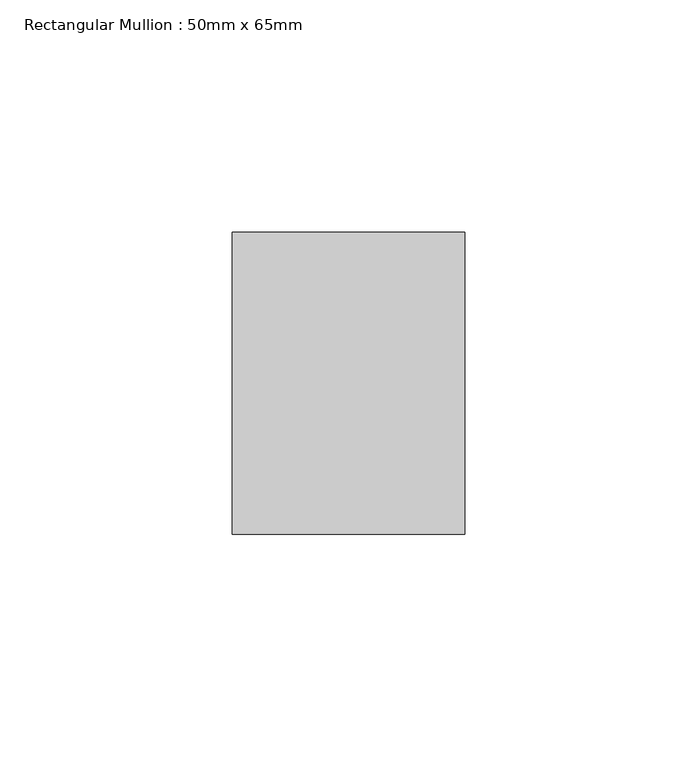
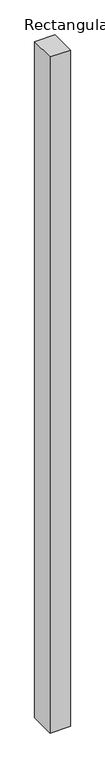
"""IFC4 building model written with IfcOpenShell, lengths in millimetres: member geometry, Rectangular Mullion : 50mm x 65mm."""

import ifcopenshell
import ifcopenshell.guid

model = None  # the IFC model being written
_history = None  # IfcOwnerHistory: only IFC2X3 demands one
_inside = {}  # id of a spatial element -> (the spatial element, [elements in it])
_under = {}  # id of a project, library or spatial element -> (it, [spatial elements below it])
_declared = {}  # id of a project -> (the project, [libraries it declares])
_typed = {}  # id of a type object -> (the type object, [elements of that type])
_made_of = {}  # id of a material, layer set ... -> (it, [elements and type objects made of it])


def new_model(schema):
    """Start an empty IFC model of exactly this schema.

    Asked for "IFC4X3", IfcOpenShell would pick the latest addendum, in which some entities
    have other attributes; the version numbers below select the first issue.
    IFC2X3 requires an IfcOwnerHistory on every rooted entity: one is made here for all.
    """
    global model, _history
    if schema == "IFC4X3":
        model = ifcopenshell.file(schema_version=(4, 3, 0, 0))
    else:
        model = ifcopenshell.file(schema=schema)
    _inside.clear()
    _under.clear()
    _declared.clear()
    _typed.clear()
    _made_of.clear()
    _history = None
    if model.schema == "IFC2X3":
        org = make("IfcOrganization", Name="unknown")
        user = make(
            "IfcPersonAndOrganization",
            ThePerson=make("IfcPerson", FamilyName="unknown"),
            TheOrganization=org,
        )
        app = make(
            "IfcApplication",
            ApplicationDeveloper=org,
            Version="unknown",
            ApplicationFullName="unknown",
            ApplicationIdentifier="unknown",
        )
        _history = make(
            "IfcOwnerHistory",
            OwningUser=user,
            OwningApplication=app,
            ChangeAction="ADDED",
            CreationDate=0,
        )
    return model


def make(cls, **values):
    """One entity of the class cls with the attributes given. An attribute that is None is left unset."""
    return model.create_entity(
        cls, **{name: value for name, value in values.items() if value is not None}
    )


def rooted(cls, **values):
    """An entity with a GlobalId (a new one), such as an element, a storey or a relation."""
    return make(cls, GlobalId=ifcopenshell.guid.new(), OwnerHistory=_history, **values)


def si_unit(unit_type, name, prefix=None):
    """IfcSIUnit, for example si_unit("LENGTHUNIT", "METRE", prefix="MILLI")."""
    return make("IfcSIUnit", UnitType=unit_type, Prefix=prefix, Name=name)


def assignment(units):
    """IfcUnitAssignment: the units of a project."""
    return None if units is None else make("IfcUnitAssignment", Units=units)


def point(xyz):
    """IfcCartesianPoint."""
    return None if xyz is None else make("IfcCartesianPoint", Coordinates=xyz)


def direction(xyz):
    """IfcDirection."""
    return None if xyz is None else make("IfcDirection", DirectionRatios=xyz)


def frame(location, z_axis=None, x_axis=None):
    """IfcAxis2Placement3D, a coordinate frame: its origin and axes. An axis left out is left unset."""
    return make(
        "IfcAxis2Placement3D",
        Location=point(location),
        Axis=direction(z_axis),
        RefDirection=direction(x_axis),
    )


def origin():
    """The frame at (0, 0, 0) with its axes left unset."""
    return frame((0.0, 0.0, 0.0))


def place(relative_to, where):
    """IfcLocalPlacement: puts the frame where relative to a parent placement (None: the world)."""
    return make(
        "IfcLocalPlacement", PlacementRelTo=relative_to, RelativePlacement=where
    )


def context(
    kind, dimensions, precision=None, world=None, true_north=None, identifier=None
):
    """IfcGeometricRepresentationContext, for example the 3D "Model" context."""
    return make(
        "IfcGeometricRepresentationContext",
        ContextIdentifier=identifier,
        ContextType=kind,
        CoordinateSpaceDimension=dimensions,
        Precision=precision,
        WorldCoordinateSystem=world,
        TrueNorth=true_north,
    )


def project(units=None, contexts=None):
    """IfcProject with its units and contexts."""
    return rooted(
        "IfcProject",
        Name="project",
        RepresentationContexts=contexts,
        UnitsInContext=assignment(units),
    )


def spatial(cls, under=None, at=None, **own):
    """A site, building, storey or space (cls), placed at a placement, below another one or the project."""
    s = rooted(cls, ObjectPlacement=at, **own)
    if under is not None:
        _under.setdefault(under.id(), (under, []))[1].append(s)
    return s


def polyline(points):
    """IfcPolyline through the points."""
    return make("IfcPolyline", Points=[point(p) for p in points])


def outline(outer, holes=None, kind="AREA"):
    """IfcArbitraryClosedProfileDef: a profile drawn as a closed curve; with holes, ...WithVoids."""
    if holes is None:
        return make("IfcArbitraryClosedProfileDef", ProfileType=kind, OuterCurve=outer)
    return make(
        "IfcArbitraryProfileDefWithVoids",
        ProfileType=kind,
        OuterCurve=outer,
        InnerCurves=holes,
    )


def extrude(swept, where, along, depth):
    """IfcExtrudedAreaSolid: the profile swept, set in the frame where, extruded along a direction by depth."""
    return make(
        "IfcExtrudedAreaSolid",
        SweptArea=swept,
        Position=where,
        ExtrudedDirection=direction(along),
        Depth=depth,
    )


def shape(context_of_items, identifier, shape_type, items):
    """IfcShapeRepresentation: the items that make up one representation, for example the "Body"."""
    return make(
        "IfcShapeRepresentation",
        ContextOfItems=context_of_items,
        RepresentationIdentifier=identifier,
        RepresentationType=shape_type,
        Items=items,
    )


def source(mapping_origin, context_of_items, identifier, shape_type, items):
    """IfcRepresentationMap: a shape defined once, which mapped items show again and again."""
    return make(
        "IfcRepresentationMap",
        MappingOrigin=mapping_origin,
        MappedRepresentation=shape(context_of_items, identifier, shape_type, items),
    )


def transform(
    local_origin,
    x_axis=None,
    y_axis=None,
    z_axis=None,
    scale=None,
    scale2=None,
    scale3=None,
    uniform=True,
):
    """IfcCartesianTransformationOperator3D, or its non-uniform kind. x_axis, y_axis, z_axis: its Axis1, 2, 3."""
    if uniform:
        return make(
            "IfcCartesianTransformationOperator3D",
            Axis1=direction(x_axis),
            Axis2=direction(y_axis),
            LocalOrigin=point(local_origin),
            Scale=scale,
            Axis3=direction(z_axis),
        )
    return make(
        "IfcCartesianTransformationOperator3DnonUniform",
        Axis1=direction(x_axis),
        Axis2=direction(y_axis),
        LocalOrigin=point(local_origin),
        Scale=scale,
        Axis3=direction(z_axis),
        Scale2=scale2,
        Scale3=scale3,
    )


def mapped(mapping_source, mapping_target):
    """IfcMappedItem: shows the shape of a source again, moved by a transform."""
    return make(
        "IfcMappedItem", MappingSource=mapping_source, MappingTarget=mapping_target
    )


def made_of(thing, what):
    """Note that an element or type object is made of a material, layer set ...; save() writes the relation."""
    if what is not None:
        _made_of.setdefault(what.id(), (what, []))[1].append(thing)
    return thing


def element(
    cls,
    number,
    at=None,
    inside=None,
    cuts=None,
    type_object=None,
    material=None,
    context=None,
    identifier="Body",
    shape_type=None,
    held_by="IfcProductDefinitionShape",
    body=None,
    shapes=None,
    **own,
):
    """One element of the class cls, such as IfcWall. Its Tag is "e" and its number.

    at: its placement. inside: the storey or other place that contains it. cuts: it is an
    opening in that element (IfcRelVoidsElement). A single representation is given by context,
    identifier, shape_type and body (its items); several are given by shapes. held_by: the class
    of the entity that holds the representations. save() writes the other relations.
    """
    e = rooted(cls, Tag="e%d" % number, ObjectPlacement=at, **own)
    if body is not None:
        shapes = [shape(context, identifier, shape_type, body)]
    if shapes is not None:
        e.Representation = make(held_by, Representations=shapes)
    if inside is not None:
        _inside.setdefault(inside.id(), (inside, []))[1].append(e)
    if cuts is not None:
        rooted(
            "IfcRelVoidsElement", RelatingBuildingElement=cuts, RelatedOpeningElement=e
        )
    if type_object is not None:
        _typed.setdefault(type_object.id(), (type_object, []))[1].append(e)
    return made_of(e, material)


def aggregate(whole, parts):
    """IfcRelAggregates: a whole, such as a stair, and the parts it consists of."""
    return rooted("IfcRelAggregates", RelatingObject=whole, RelatedObjects=parts)


def save(model, path):
    """Write the relations noted so far, then the file.

    IfcRelAggregates (storeys below a building ...), IfcRelContainedInSpatialStructure (elements
    in a storey), IfcRelDefinesByType, IfcRelAssociatesMaterial and IfcRelDeclares: one each for
    every whole, place, type object, material and project.
    """
    for whole, parts in _under.values():
        aggregate(whole, parts)
    for where, things in _inside.values():
        rooted(
            "IfcRelContainedInSpatialStructure",
            RelatedElements=things,
            RelatingStructure=where,
        )
    for kind, things in _typed.values():
        rooted("IfcRelDefinesByType", RelatedObjects=things, RelatingType=kind)
    for what, things in _made_of.values():
        rooted("IfcRelAssociatesMaterial", RelatedObjects=things, RelatingMaterial=what)
    for by, libraries in _declared.values():
        rooted("IfcRelDeclares", RelatingContext=by, RelatedDefinitions=libraries)
    model.write(path)


def rectangular_mullion_50mm_x_65mm_febcfb57(model_context):
    return source(origin(), model_context, "Body", "SweptSolid", [
        extrude(outline(polyline([(25.0, 32.5), (25.0, -32.5), (-25.0, -32.5), (-25.0, 32.5), (25.0, 32.5)])), frame((0.0, 0.0, -1754.4949315), z_axis=(0.0, 0.0, 1.0), x_axis=(1.0, 0.0, 0.0)), (0.0, 0.0, 1.0), 1754.4949315),
    ])


if __name__ == "__main__":
    model = new_model("IFC4")
    model_context = context("Model", 3, world=origin())
    ifc_project = project(units=[si_unit("LENGTHUNIT", "METRE", prefix="MILLI")], contexts=[model_context])
    site = spatial("IfcSite", under=ifc_project)
    building = spatial("IfcBuilding", under=site)
    placement = place(None, origin())
    rectangular_mullion_50mm_x_65mm_shape = rectangular_mullion_50mm_x_65mm_febcfb57(model_context)
    element("IfcMember", 1, ObjectType="Rectangular Mullion : 50mm x 65mm", at=placement, inside=building, context=model_context, shape_type="MappedRepresentation", body=[
        mapped(rectangular_mullion_50mm_x_65mm_shape, transform((0.0, 0.0, 0.0), x_axis=(1.0, 0.0, 0.0), y_axis=(0.0, 1.0, 0.0), z_axis=(0.0, 0.0, 1.0))),
    ])
    save(model, "model.ifc")
